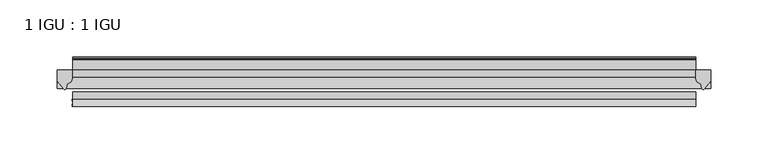
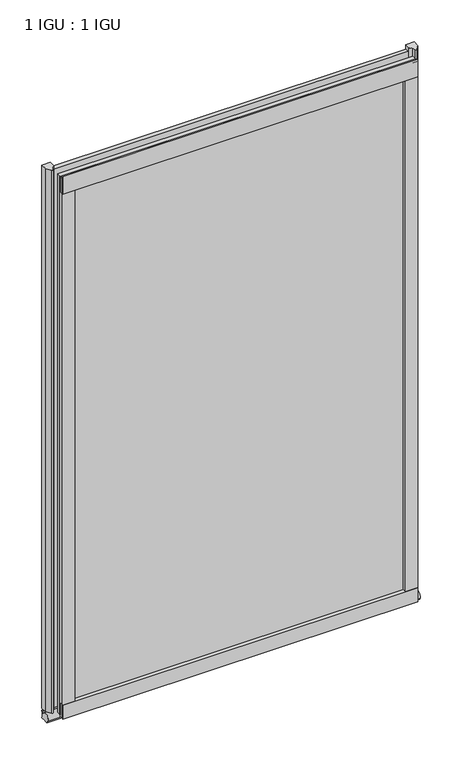
"""IFC4 building model written with IfcOpenShell, lengths in millimetres: plate geometry, 1 IGU : 1 IGU."""

from ifc_helpers import new_model, si_unit, point, frame, frame_2d, origin, place, context, project, spatial, polyline, circle_curve, ellipse_curve, trimmed, segment, composite_curve, outline, extrude, source, transform, mapped, element, save
from ifc_brep_helpers import plane_surface, revolved_surface, extruded_surface, advanced_brep


def plate_1_igu_1_igu_4aba446d(model_context):
    return source(origin(), model_context, "Body", "SolidModel", [
        extrude(outline(polyline([(303.3484536, 0.0021347), (303.3484536, -6.2992), (-239.2642536, -6.2992), (-239.2642536, 0.0021347), (303.3484536, 0.0021347)])), frame((0.0, 0.0, -19.05), z_axis=(0.0, 0.0, 1.0), x_axis=(1.0, 0.0, 0.0)), (0.0, 0.0, 1.0), 869.9368072),
        extrude(outline(polyline([(-239.2642536, -19.0986653), (303.3484536, -19.0986653), (303.3484536, -25.3978653), (-239.2642536, -25.3978653), (-239.2642536, -19.0986653)])), frame((0.0, 0.0, -19.05), z_axis=(0.0, 0.0, 1.0), x_axis=(1.0, 0.0, 0.0)), (0.0, 0.0, 1.0), 869.9368072),
        advanced_brep(
        [(316.0484536, -2.9334208, -29.3692082), (316.0484536, -15.7658436, -30.8313288), (316.0484536, -6.7904952, -34.925), (316.0484536, 0.0, -34.925), (316.0484536, 0.0, -22.225), (316.0484536, -2.5187477, -22.225), (-252.5484536, -2.9073519, -29.3720514), (-252.5484536, -2.5187477, -22.225), (-252.5484536, 0.0, -22.225), (-252.5484536, 0.0, -34.925), (-252.5484536, -6.7904952, -34.925), (-252.5484536, -15.7658436, -30.8313288)],
        [
            (0, 1, ellipse_curve(frame((316.0484536, -9.5065066, -28.575), z_axis=(1.0, 0.0, 0.0), x_axis=(0.0, 0.0, -1.0)), 6.9638038, 6.6162554)),
            (1, 2, ellipse_curve(frame((316.0484536, -9.5065066, -28.575), z_axis=(1.0, 0.0, 0.0), x_axis=(0.0, 0.0, -1.0)), 6.9638038, 6.6162554)),
            (2, 3),
            (3, 4, circle_curve(frame((316.0484536, 24.1576838, -28.575), z_axis=(-1.0, 0.0, 0.0), x_axis=(0.0, 0.0, 1.0)), 24.9783143)),
            (4, 5),
            (5, 0, circle_curve(frame((316.0484536, -68.4358767, -22.225), z_axis=(-1.0, 0.0, 0.0), x_axis=(0.0, 0.0, 1.0)), 65.917129)),
            (6, 7, circle_curve(frame((-252.5484536, -68.4358767, -22.225), z_axis=(1.0, 0.0, 0.0), x_axis=(0.0, 0.0, 1.0)), 65.917129)),
            (7, 8),
            (8, 9, circle_curve(frame((-252.5484536, 24.1576838, -28.575), z_axis=(1.0, 0.0, 0.0), x_axis=(0.0, 0.0, 1.0)), 24.9783143)),
            (9, 10),
            (10, 11, ellipse_curve(frame((-252.5484536, -9.5065066, -28.575), z_axis=(-1.0, 0.0, 0.0), x_axis=(0.0, 0.0, -1.0)), 6.9638038, 6.6162554)),
            (11, 6, ellipse_curve(frame((-252.5484536, -9.5065066, -28.575), z_axis=(-1.0, 0.0, 0.0), x_axis=(0.0, 0.0, -1.0)), 6.9638038, 6.6162554)),
            (0, 6),
            (11, 1),
            (10, 2),
            (9, 3),
            (8, 4),
            (7, 5),
        ],
        [
            plane_surface(frame((316.0484536, 0.0, -28.575), z_axis=(1.0, 0.0, 0.0), x_axis=(0.0, 1.0, 0.0))),
            plane_surface(frame((-252.5484536, 0.0, -28.575), z_axis=(-1.0, 0.0, 0.0), x_axis=(0.0, 1.0, 0.0))),
            extruded_surface(trimmed(ellipse_curve(frame((-252.5484536, -9.5065066, -28.575), z_axis=(1.0, 0.0, 0.0), x_axis=(0.0, 0.0, -1.0)), 6.9638038, 6.6162554), [point((-252.5484536, -2.9334208, -29.3692082))], [point((-252.5484536, -15.7658436, -30.8313288))], True, "CARTESIAN"), (568.5969072, 0.0, 0.0), 568.5969072),
            extruded_surface(trimmed(ellipse_curve(frame((-252.5484536, -9.5065066, -28.575), z_axis=(1.0, 0.0, 0.0), x_axis=(0.0, 0.0, -1.0)), 6.9638038, 6.6162554), [point((-252.5484536, -15.7658436, -30.8313288))], [point((-252.5484536, -6.7904952, -34.925))], True, "CARTESIAN"), (568.5969072, 0.0, 0.0), 568.5969072),
            plane_surface(frame((316.0484536, -6.7904952, -34.925), z_axis=(0.0, 0.0, -1.0), x_axis=(-1.0, 0.0, 0.0))),
            revolved_surface(polyline([(-252.54845360000002, 24.1576838, -3.5966856999999983), (316.0484536, 24.1576838, -3.5966856999999983)]), (316.0484536, 24.1576838, -28.575), (-1.0, 0.0, 0.0)),
            plane_surface(frame((316.0484536, 0.0, -22.225), z_axis=(0.0, 0.0, 1.0), x_axis=(-1.0, 0.0, 0.0))),
            revolved_surface(polyline([(-252.54845360000002, -68.4358767, 43.692129), (316.0484536, -68.4358767, 43.692129)]), (316.0484536, -68.4358767, -22.225), (-1.0, 0.0, 0.0)),
        ],
        [
            (0, [[1, 2, 3, 4, 5, 6]]),
            (1, [[7, 8, 9, 10, 11, 12]]),
            (2, [[-1, 13, -12, 14]]),
            (3, [[-2, -14, -11, 15]]),
            (4, [[-3, -15, -10, 16]]),
            (5, [[-4, -16, -9, 17]]),
            (6, [[-5, -17, -8, 18]]),
            (7, [[-6, -18, -7, -13]]),
        ],
    ),
        extrude(outline(composite_curve([segment(polyline([(316.0484536, 0.0), (316.0484536, -9.7395025), (310.4822227, -16.3730781)]), True, "CONTINUOUS"), segment(trimmed(circle_curve(frame_2d((309.5285477, -15.7728374)), 1.1268473), [point((310.4822227, -16.3730781))], [point((308.4275948, -16.0130197))], False, "CARTESIAN"), True, "CONTINUOUS"), segment(polyline([(308.4275948, -16.0130197), (307.4474033, -11.7377885)]), True, "CONTINUOUS"), segment(trimmed(circle_curve(frame_2d((307.3199515, -7.7683362)), 3.9714979), [point((307.4474033, -11.7377885))], [point((303.3486322, -7.8060014))], False, "CARTESIAN"), True, "CONTINUOUS"), segment(polyline([(303.3486322, -7.8060014), (303.3486322, 0.0), (316.0484536, 0.0)]), True, "CONTINUOUS")], self_intersect=False)), frame((0.0, 0.0, -19.05), z_axis=(0.0, 0.0, 1.0), x_axis=(1.0, 0.0, 0.0)), (0.0, 0.0, 1.0), 877.0742072),
        extrude(outline(composite_curve([segment(polyline([(-239.8484536, 8.8e-06), (-239.8484536, -7.7683362)]), True, "CONTINUOUS"), segment(trimmed(circle_curve(frame_2d((-243.8199515, -7.7683362)), 3.9714979), [point((-239.8484536, -7.7683362))], [point((-243.9474033, -11.7377885))], False, "CARTESIAN"), True, "CONTINUOUS"), segment(polyline([(-243.9474033, -11.7377885), (-244.9274379, -16.012436)]), True, "CONTINUOUS"), segment(trimmed(circle_curve(frame_2d((-246.0286469, -15.7723555)), 1.1270758), [point((-244.9274379, -16.012436))], [point((-246.9824863, -16.372764))], False, "CARTESIAN"), True, "CONTINUOUS"), segment(polyline([(-246.9824863, -16.372764), (-252.5484536, -9.7395025), (-252.5484536, 8.8e-06), (-239.8484536, 8.8e-06)]), True, "CONTINUOUS")], self_intersect=False)), frame((0.0, 0.0, -19.05), z_axis=(0.0, 0.0, 1.0), x_axis=(1.0, 0.0, 0.0)), (0.0, 0.0, 1.0), 877.0742072),
        extrude(outline(composite_curve([segment(polyline([(-31.75, 0.0), (-25.4, 0.0), (-25.4, -22.225)]), True, "CONTINUOUS"), segment(trimmed(circle_curve(frame_2d((-28.575, -28.9113452)), 7.4018806), [point((-25.4, -22.225))], [point((-31.75, -22.225))], True, "CARTESIAN"), True, "CONTINUOUS"), segment(polyline([(-31.75, -22.225), (-31.75, 0.0)]), True, "CONTINUOUS")], self_intersect=False)), frame((-239.2642536, 0.0, 0.0), z_axis=(1.0, 0.0, 0.0), x_axis=(0.0, 1.0, 0.0)), (0.0, 0.0, 1.0), 542.6127072),
        extrude(outline(composite_curve([segment(polyline([(8.509, 840.7300284), (8.509, 838.6980284), (6.35, 838.6980284), (6.35, 833.3640284), (8.9492698, 833.3640284)]), True, "CONTINUOUS"), segment(trimmed(circle_curve(frame_2d((8.208689, 831.8368072)), 1.697311), [point((8.9492698, 833.3640284))], [point((8.962411, 830.3160284))], False, "CARTESIAN"), True, "CONTINUOUS"), segment(polyline([(8.962411, 830.3160284), (6.35, 830.3160284), (6.35, 825.4868072), (11.1252, 825.4868072), (11.1252, 824.5978072)]), True, "CONTINUOUS"), segment(trimmed(circle_curve(frame_2d((10.1092, 824.5978072)), 1.016), [point((11.1252, 824.5978072))], [point((10.1092, 823.5818072))], False, "CARTESIAN"), True, "CONTINUOUS"), segment(trimmed(circle_curve(frame_2d((10.1092, 804.1707318)), 19.4110754), [point((10.1092, 823.5818072))], [point((0.0, 820.7416075))], True, "CARTESIAN"), True, "CONTINUOUS"), segment(polyline([(0.0, 820.7416075), (0.0, 840.7300284), (8.509, 840.7300284)]), True, "CONTINUOUS")], self_intersect=False)), frame((-239.2642536, 0.0, 0.0), z_axis=(1.0, 0.0, 0.0), x_axis=(0.0, 1.0, 0.0)), (0.0, 0.0, 1.0), 542.6127072),
        extrude(outline(composite_curve([segment(polyline([(-25.4, 850.8868072), (-25.4, 825.4868072), (-31.75, 825.4868072), (-31.75, 853.6597045)]), True, "CONTINUOUS"), segment(trimmed(circle_curve(frame_2d((-24.1401272, 862.4292187)), 11.6109665), [point((-31.75, 853.6597045))], [point((-25.4, 850.8868072))], True, "CARTESIAN"), True, "CONTINUOUS")], self_intersect=False)), frame((-239.2642536, 0.0, 0.0), z_axis=(1.0, 0.0, 0.0), x_axis=(0.0, 1.0, 0.0)), (0.0, 0.0, 1.0), 542.6127072),
        extrude(outline(composite_curve([segment(polyline([(284.2984536, -25.4), (303.3484536, -25.4)]), True, "CONTINUOUS"), segment(trimmed(circle_curve(frame_2d((312.8146043, -28.575)), 9.9844196), [point((303.3484536, -25.4))], [point((303.3484536, -31.75))], True, "CARTESIAN"), True, "CONTINUOUS"), segment(polyline([(303.3484536, -31.75), (284.2984536, -31.75), (284.2984536, -25.4)]), True, "CONTINUOUS")], self_intersect=False)), frame((0.0, 0.0, -19.05), z_axis=(0.0, 0.0, 1.0), x_axis=(1.0, 0.0, 0.0)), (0.0, 0.0, 1.0), 869.9368072),
        extrude(outline(composite_curve([segment(trimmed(circle_curve(frame_2d((-249.3146043, -28.575)), 9.9844196), [point((-239.8484536, -31.75))], [point((-239.8484536, -25.4))], True, "CARTESIAN"), True, "CONTINUOUS"), segment(polyline([(-239.8484536, -25.4), (-220.7984536, -25.4), (-220.7984536, -31.75), (-239.8484536, -31.75)]), True, "CONTINUOUS")], self_intersect=False)), frame((0.0, 0.0, -19.05), z_axis=(0.0, 0.0, 1.0), x_axis=(1.0, 0.0, 0.0)), (0.0, 0.0, 1.0), 869.9368072),
    ])


if __name__ == "__main__":
    model = new_model("IFC4")
    model_context = context("Model", 3, world=origin())
    ifc_project = project(units=[si_unit("LENGTHUNIT", "METRE", prefix="MILLI")], contexts=[model_context])
    site = spatial("IfcSite", under=ifc_project)
    building = spatial("IfcBuilding", under=site)
    placement = place(None, origin())
    plate_1_igu_1_igu_shape = plate_1_igu_1_igu_4aba446d(model_context)
    element("IfcPlate", 1, ObjectType="1 IGU : 1 IGU", at=placement, inside=building, context=model_context, shape_type="MappedRepresentation", body=[
        mapped(plate_1_igu_1_igu_shape, transform((0.0, 0.0, 0.0), x_axis=(1.0, 0.0, 0.0), y_axis=(0.0, 1.0, 0.0), z_axis=(0.0, 0.0, 1.0))),
    ])
    save(model, "model.ifc")
